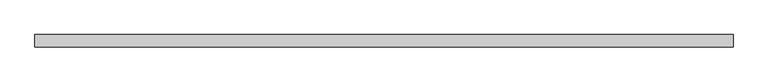
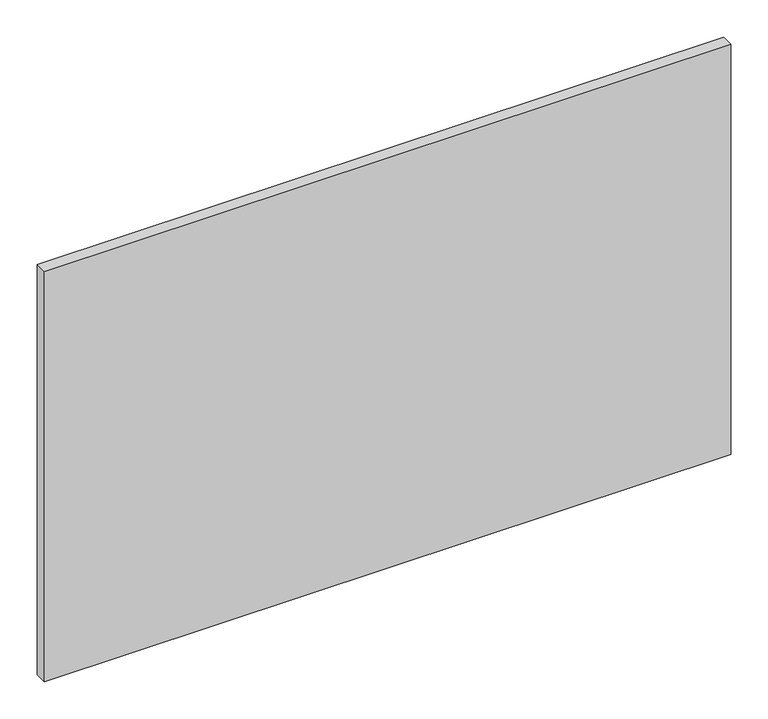
"""IFC4 building model written with IfcOpenShell, lengths in millimetres: proxy geometry."""

from ifc_helpers import new_model, si_unit, frame, origin, place, context, project, spatial, polyline, outline, extrude, source, transform, mapped, element, save


def specialty_equipment_9887b648(model_context):
    return source(origin(), model_context, "Body", "SweptSolid", [
        extrude(outline(polyline([(531.5249999, 0.0), (-531.5249999, 0.0), (-531.5249999, 19.05), (531.5249999, 19.05), (531.5249999, 0.0)])), frame((0.0, 0.0, 3.175), z_axis=(0.0, 0.0, 1.0), x_axis=(1.0, 0.0, 0.0)), (0.0, 0.0, 1.0), 672.2618001),
    ])


if __name__ == "__main__":
    model = new_model("IFC4")
    model_context = context("Model", 3, world=origin())
    ifc_project = project(units=[si_unit("LENGTHUNIT", "METRE", prefix="MILLI")], contexts=[model_context])
    site = spatial("IfcSite", under=ifc_project)
    building = spatial("IfcBuilding", under=site)
    placement = place(None, origin())
    specialty_equipment_shape = specialty_equipment_9887b648(model_context)
    element("IfcBuildingElementProxy", 1, Name="Specialty Equipment", at=placement, inside=building, context=model_context, shape_type="MappedRepresentation", body=[
        mapped(specialty_equipment_shape, transform((0.0, 0.0, 0.0), x_axis=(1.0, 0.0, 0.0), y_axis=(0.0, 1.0, 0.0), z_axis=(0.0, 0.0, 1.0))),
    ])
    save(model, "model.ifc")
